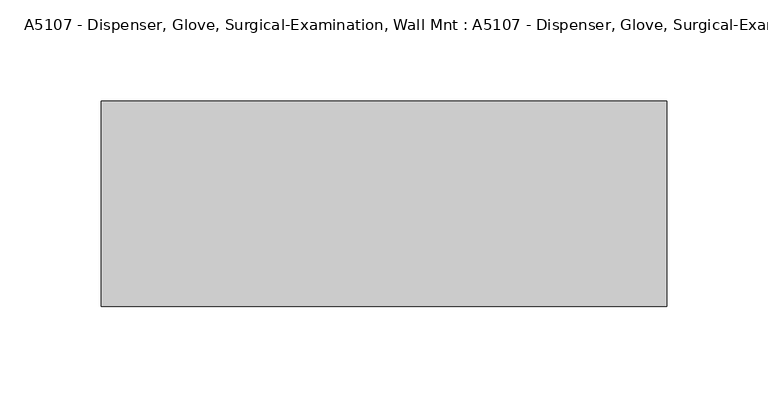
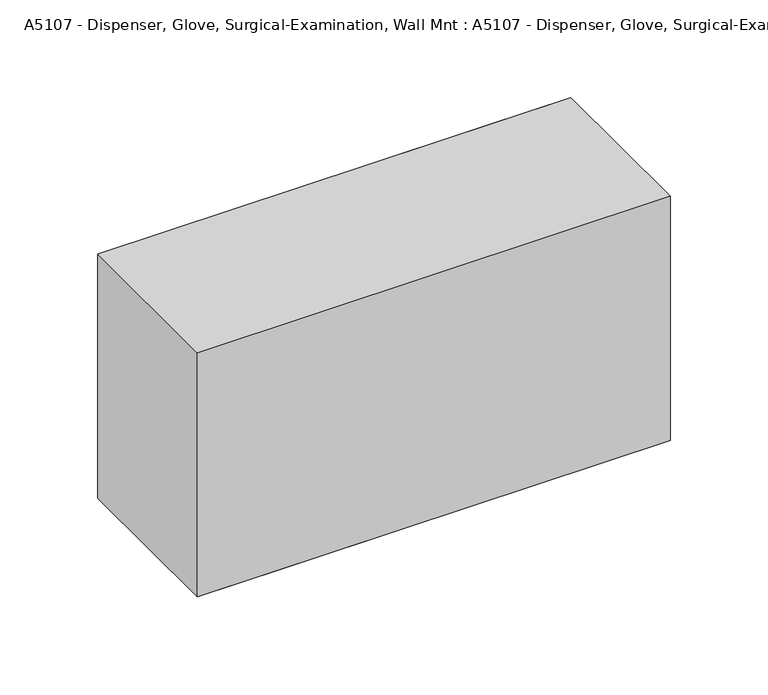
"""IFC4 building model written with IfcOpenShell, lengths in millimetres: proxy geometry, A5107 - Dispenser, Glove, Surgical-Examination, Wall Mnt : A5107 - Dispenser, Glove, Surgical-Examination, Wall Mnt."""

from ifc_helpers import new_model, si_unit, frame, origin, place, context, project, spatial, polyline, outline, extrude, source, transform, mapped, element, save


def a5107_dispenser_glove_surgical_examination_wall_mnt_a5107_5144ad3b(model_context):
    return source(origin(), model_context, "Body", "SweptSolid", [
        extrude(outline(polyline([(139.7, -101.6), (-139.7, -101.6), (-139.7, 0.0), (139.7, 0.0), (139.7, -101.6)])), frame((0.0, 0.0, 0.295062), z_axis=(0.0, 0.0, 1.0), x_axis=(1.0, 0.0, 0.0)), (0.0, 0.0, 1.0), 152.4),
        extrude(outline(polyline([(127.0, -101.6), (-127.0, -101.6), (-127.0, 0.0), (127.0, 0.0), (127.0, -101.6)])), frame((0.0, 0.0, 0.295062), z_axis=(0.0, 0.0, 1.0), x_axis=(1.0, 0.0, 0.0)), (0.0, 0.0, 1.0), 152.4),
    ])


if __name__ == "__main__":
    model = new_model("IFC4")
    model_context = context("Model", 3, world=origin())
    ifc_project = project(units=[si_unit("LENGTHUNIT", "METRE", prefix="MILLI")], contexts=[model_context])
    site = spatial("IfcSite", under=ifc_project)
    building = spatial("IfcBuilding", under=site)
    placement = place(None, origin())
    a5107_dispenser_glove_surgical_examination_wall_mnt_a5107_shape = a5107_dispenser_glove_surgical_examination_wall_mnt_a5107_5144ad3b(model_context)
    element("IfcBuildingElementProxy", 1, Name="A5107 - Dispenser, Glove, Surgical-Examination, Wall Mnt : A5107 - Dispenser, Glove, Surgical-Examination, Wall Mnt", ObjectType="A5107 - Dispenser, Glove, Surgical-Examination, Wall Mnt : A5107 - Dispenser, Glove, Surgical-Examination, Wall Mnt", at=placement, inside=building, context=model_context, shape_type="MappedRepresentation", body=[
        mapped(a5107_dispenser_glove_surgical_examination_wall_mnt_a5107_shape, transform((0.0, 0.0, 0.0), x_axis=(1.0, 0.0, 0.0), y_axis=(0.0, 1.0, 0.0), z_axis=(0.0, 0.0, 1.0))),
    ])
    save(model, "model.ifc")
